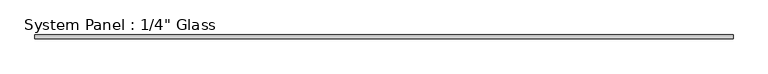
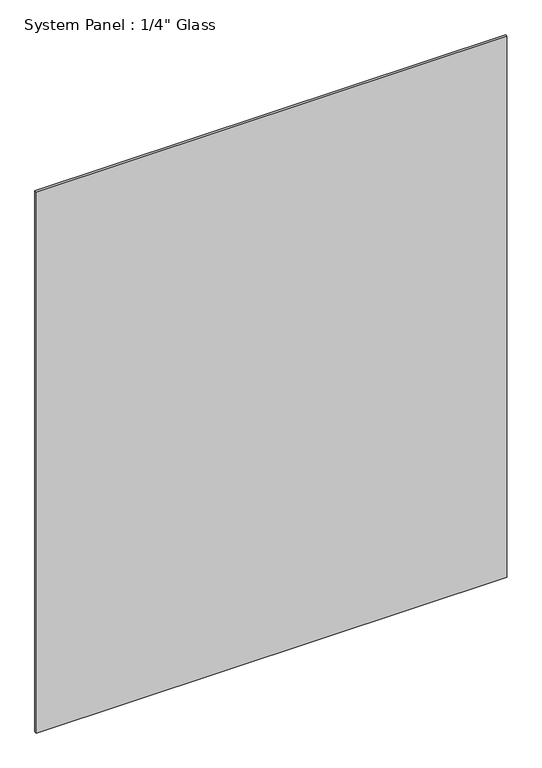
"""IFC4 building model written with IfcOpenShell, lengths in millimetres: plate geometry."""

from ifc_helpers import new_model, si_unit, origin, origin_with_axes, place, context, project, spatial, polyline, outline, extrude, source, transform, mapped, element, save


def plate_872dc453(model_context):
    return source(origin(), model_context, "Body", "SweptSolid", [
        extrude(outline(polyline([(590.55, -3.175), (-590.55, -3.175), (-590.55, 3.175), (590.55, 3.175), (590.55, -3.175)])), origin_with_axes(), (0.0, 0.0, 1.0), 1435.1),
    ])


if __name__ == "__main__":
    model = new_model("IFC4")
    model_context = context("Model", 3, world=origin())
    ifc_project = project(units=[si_unit("LENGTHUNIT", "METRE", prefix="MILLI")], contexts=[model_context])
    site = spatial("IfcSite", under=ifc_project)
    building = spatial("IfcBuilding", under=site)
    placement = place(None, origin())
    plate_shape = plate_872dc453(model_context)
    element("IfcPlate", 1, ObjectType="System Panel : 1/4\" Glass", at=placement, inside=building, context=model_context, shape_type="MappedRepresentation", body=[
        mapped(plate_shape, transform((0.0, 0.0, 0.0), x_axis=(1.0, 0.0, 0.0), y_axis=(0.0, 1.0, 0.0), z_axis=(0.0, 0.0, 1.0))),
    ])
    save(model, "model.ifc")
